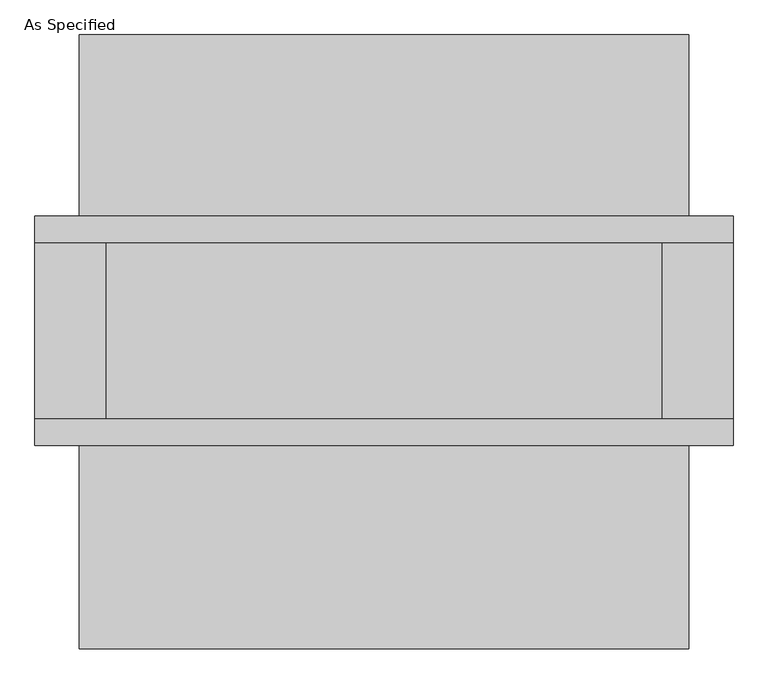
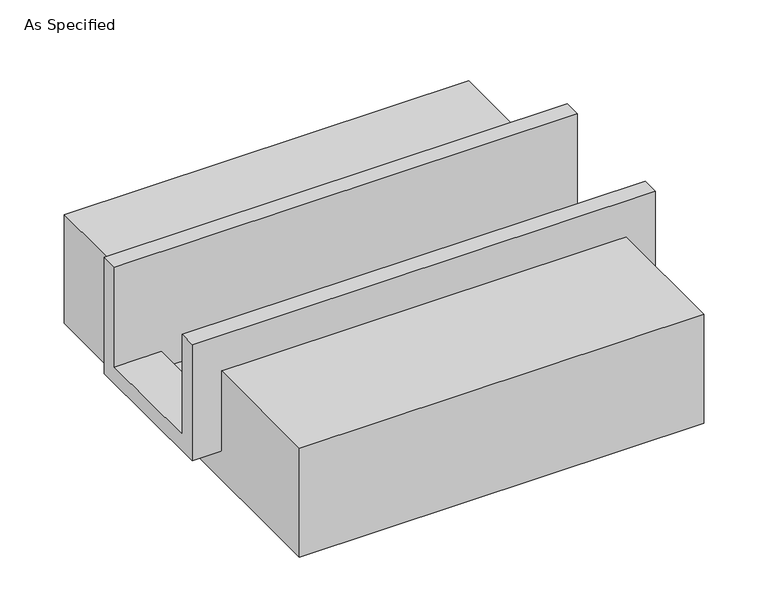
"""IFC4 building model written with IfcOpenShell, lengths in millimetres: proxy geometry, As Specified."""

from ifc_helpers import new_model, si_unit, frame, origin, place, context, project, spatial, polyline, outline, extrude, faceted_brep, source, transform, mapped, element, save


def as_specified_d585bdc6(model_context):
    return source(origin(), model_context, "Body", "SolidModel", [
        faceted_brep([(-1003.3, 285.75, 139.7), (-1003.3, 361.95, 139.7), (-1003.3, 361.95, -393.7), (-1003.3, -298.45, -393.7), (-1003.3, -298.45, 139.7), (-1003.3, -222.25, 139.7), (-1003.3, -222.25, -317.5), (-1003.3, 285.75, -317.5), (1003.3, 285.75, 139.7), (1003.3, 285.75, -317.5), (1003.3, -222.25, -317.5), (1003.3, -222.25, 139.7), (1003.3, -298.45, 139.7), (1003.3, -298.45, -393.7), (1003.3, 361.95, -393.7), (1003.3, 361.95, 139.7), (800.1, -222.25, -393.7), (800.1, 285.75, -393.7), (-800.1, 285.75, -393.7), (-800.1, -222.25, -393.7), (800.1, -222.25, -317.5), (-800.1, -222.25, -317.5), (-800.1, 285.75, -317.5), (800.1, 285.75, -317.5)], [[[0, 1, 2, 3, 4, 5, 6, 7]], [[8, 9, 10, 11, 12, 13, 14, 15]], [[1, 0, 8, 15]], [[2, 1, 15, 14]], [[3, 2, 14, 13], [16, 17, 18, 19]], [[4, 3, 13, 12]], [[5, 4, 12, 11]], [[6, 5, 11, 10, 20, 16, 19, 21]], [[7, 6, 21, 22]], [[10, 9, 23, 20]], [[0, 7, 22, 18, 17, 23, 9, 8]], [[16, 20, 23, 17]], [[21, 19, 18, 22]]]),
        extrude(outline(polyline([(882.65, -25.4), (882.65, -523.9742188), (-882.65, -523.9742188), (-882.65, -25.4), (-298.45, -25.4), (-298.45, -393.7), (361.95, -393.7), (361.95, -25.4), (882.65, -25.4)])), frame((-876.3, 0.0, 0.0), z_axis=(1.0, 0.0, 0.0), x_axis=(0.0, 1.0, 0.0)), (0.0, 0.0, 1.0), 1752.6),
    ])


if __name__ == "__main__":
    model = new_model("IFC4")
    model_context = context("Model", 3, world=origin())
    ifc_project = project(units=[si_unit("LENGTHUNIT", "METRE", prefix="MILLI")], contexts=[model_context])
    site = spatial("IfcSite", under=ifc_project)
    building = spatial("IfcBuilding", under=site)
    placement = place(None, origin())
    as_specified_shape = as_specified_d585bdc6(model_context)
    element("IfcBuildingElementProxy", 1, Name="As Specified", ObjectType="As Specified", at=placement, inside=building, context=model_context, shape_type="MappedRepresentation", body=[
        mapped(as_specified_shape, transform((0.0, 0.0, 0.0), x_axis=(1.0, 0.0, 0.0), y_axis=(0.0, 1.0, 0.0), z_axis=(0.0, 0.0, 1.0))),
    ])
    save(model, "model.ifc")
